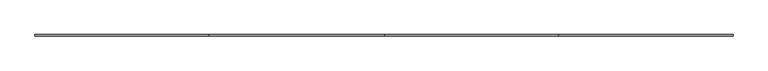
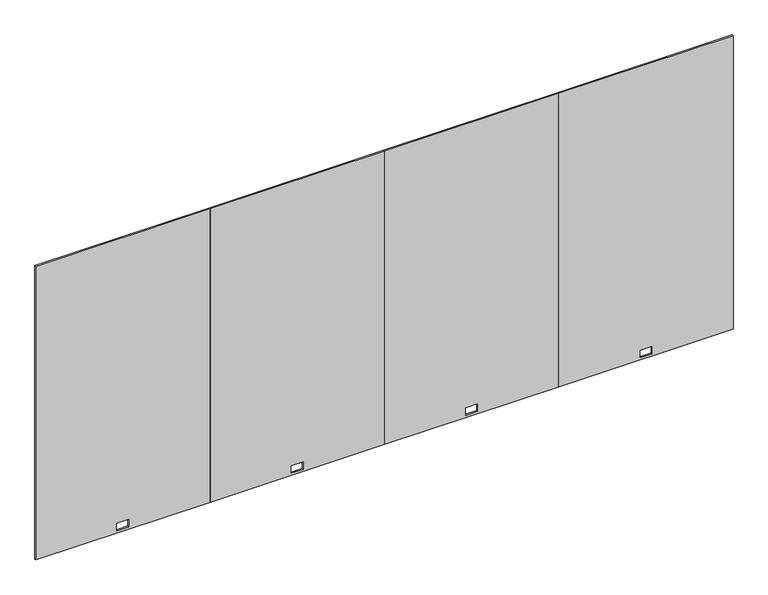
"""IFC4 building model written with IfcOpenShell, lengths in millimetres: furniture geometry."""

from ifc_helpers import new_model, si_unit, frame, origin, place, context, project, spatial, polyline, outline, extrude, source, transform, mapped, element, save


def furniture_16d488c9(model_context):
    return source(origin(), model_context, "Body", "SweptSolid", [
        extrude(outline(polyline([(12.7, 4881.88), (2186.3010468, 4881.88), (2186.3010468, 3661.41), (12.7, 3661.41), (12.7, 4881.88)]), holes=[polyline([(83.9724, 4312.7676), (29.6164, 4312.7676), (29.6164, 4230.5224), (83.9724, 4230.5224), (83.9724, 4312.7676)])]), frame((0.0, -4.7752, 0.0), z_axis=(0.0, 1.0, 0.0), x_axis=(0.0, 0.0, 1.0)), (0.0, 0.0, 1.0), 9.525),
        extrude(outline(polyline([(12.7, 2440.94), (2186.3010468, 2440.94), (2186.3010468, 1220.47), (12.7, 1220.47), (12.7, 2440.94)]), holes=[polyline([(83.9724, 1871.8276), (29.6164, 1871.8276), (29.6164, 1789.5824), (83.9724, 1789.5824), (83.9724, 1871.8276)])]), frame((0.0, -4.7752, 0.0), z_axis=(0.0, 1.0, 0.0), x_axis=(0.0, 0.0, 1.0)), (0.0, 0.0, 1.0), 9.525),
        extrude(outline(polyline([(12.7, 2440.94), (12.7, 3661.41), (2186.3010468, 3661.41), (2186.3010468, 2440.94), (12.7, 2440.94)]), holes=[polyline([(29.6164, 3010.0524), (83.9724, 3010.0524), (83.9724, 3092.2976), (29.6164, 3092.2976), (29.6164, 3010.0524)])]), frame((0.0, -4.7752, 0.0), z_axis=(0.0, 1.0, 0.0), x_axis=(0.0, 0.0, 1.0)), (0.0, 0.0, 1.0), 9.525),
        extrude(outline(polyline([(12.7, 0.0), (12.7, 1220.47), (2186.3010468, 1220.47), (2186.3010468, 0.0), (12.7, 0.0)]), holes=[polyline([(29.6164, 569.1124), (83.9724, 569.1124), (83.9724, 651.3576), (29.6164, 651.3576), (29.6164, 569.1124)])]), frame((0.0, -4.7752, 0.0), z_axis=(0.0, 1.0, 0.0), x_axis=(0.0, 0.0, 1.0)), (0.0, 0.0, 1.0), 9.525),
    ])


if __name__ == "__main__":
    model = new_model("IFC4")
    model_context = context("Model", 3, world=origin())
    ifc_project = project(units=[si_unit("LENGTHUNIT", "METRE", prefix="MILLI")], contexts=[model_context])
    site = spatial("IfcSite", under=ifc_project)
    building = spatial("IfcBuilding", under=site)
    placement = place(None, origin())
    furniture_shape = furniture_16d488c9(model_context)
    element("IfcFurniture", 1, at=placement, inside=building, context=model_context, shape_type="MappedRepresentation", body=[
        mapped(furniture_shape, transform((0.0, 0.0, 0.0), x_axis=(1.0, 0.0, 0.0), y_axis=(0.0, 1.0, 0.0), z_axis=(0.0, 0.0, 1.0))),
    ])
    save(model, "model.ifc")
